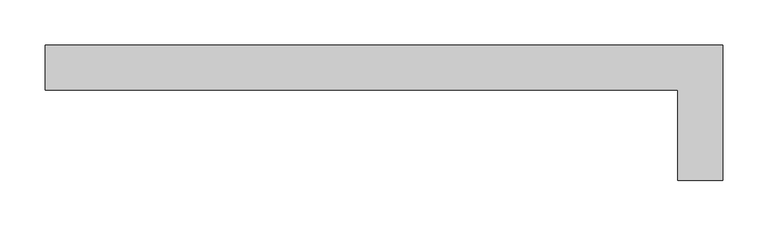
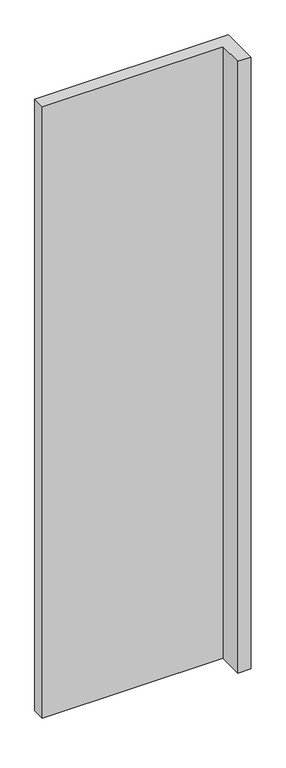
"""IFC4 building model written with IfcOpenShell, lengths in millimetres: proxy geometry."""

from ifc_helpers import new_model, si_unit, origin, origin_with_axes, place, context, project, spatial, polyline, outline, extrude, source, transform, mapped, element, save


def generic_models_38492cd0(model_context):
    return source(origin(), model_context, "Body", "SweptSolid", [
        extrude(outline(polyline([(374.9999628, -74.9999998), (324.999921, -75.0000002), (324.9999246, 24.9999065), (-374.9999643, 24.9999274), (-374.9999628, 74.9999691), (374.9999682, 74.9999751), (374.9999628, -74.9999998)])), origin_with_axes(), (0.0, 0.0, 1.0), 2500.0),
    ])


if __name__ == "__main__":
    model = new_model("IFC4")
    model_context = context("Model", 3, world=origin())
    ifc_project = project(units=[si_unit("LENGTHUNIT", "METRE", prefix="MILLI")], contexts=[model_context])
    site = spatial("IfcSite", under=ifc_project)
    building = spatial("IfcBuilding", under=site)
    placement = place(None, origin())
    generic_models_shape = generic_models_38492cd0(model_context)
    element("IfcBuildingElementProxy", 1, Name="Generic Models", at=placement, inside=building, context=model_context, shape_type="MappedRepresentation", body=[
        mapped(generic_models_shape, transform((0.0, 0.0, 0.0), x_axis=(1.0, 0.0, 0.0), y_axis=(0.0, 1.0, 0.0), z_axis=(0.0, 0.0, 1.0))),
    ])
    save(model, "model.ifc")
